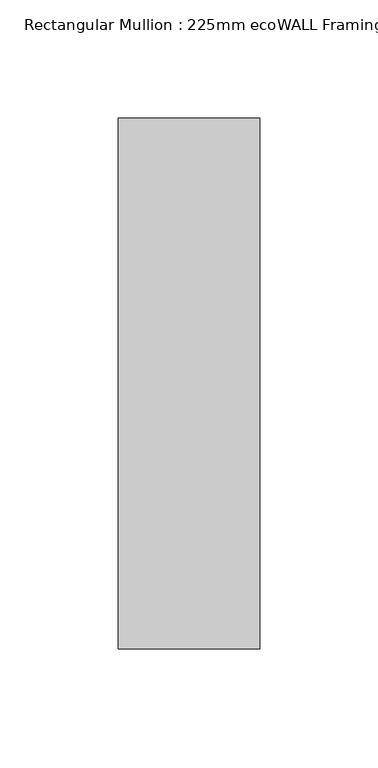
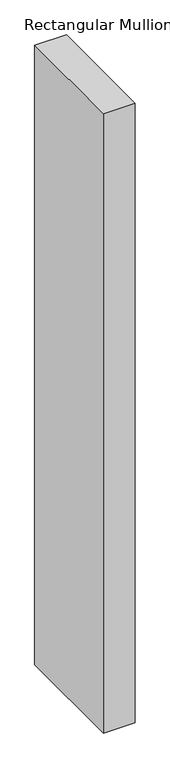
"""IFC4 building model written with IfcOpenShell, lengths in millimetres: member geometry, Rectangular Mullion : 225mm ecoWALL Framing."""

from ifc_helpers import new_model, si_unit, frame, origin, place, context, project, spatial, polyline, outline, extrude, source, transform, mapped, element, save


def rectangular_mullion_225mm_ecowall_framing_d044da91(model_context):
    return source(origin(), model_context, "Body", "SweptSolid", [
        extrude(outline(polyline([(0.0, 112.5), (0.0, -112.5), (-60.0, -112.5), (-60.0, 112.5), (0.0, 112.5)])), frame((0.0, 0.0, -1240.0), z_axis=(0.0, 0.0, 1.0), x_axis=(1.0, 0.0, 0.0)), (0.0, 0.0, 1.0), 1240.0),
    ])


if __name__ == "__main__":
    model = new_model("IFC4")
    model_context = context("Model", 3, world=origin())
    ifc_project = project(units=[si_unit("LENGTHUNIT", "METRE", prefix="MILLI")], contexts=[model_context])
    site = spatial("IfcSite", under=ifc_project)
    building = spatial("IfcBuilding", under=site)
    placement = place(None, origin())
    rectangular_mullion_225mm_ecowall_framing_shape = rectangular_mullion_225mm_ecowall_framing_d044da91(model_context)
    element("IfcMember", 1, ObjectType="Rectangular Mullion : 225mm ecoWALL Framing", at=placement, inside=building, context=model_context, shape_type="MappedRepresentation", body=[
        mapped(rectangular_mullion_225mm_ecowall_framing_shape, transform((0.0, 0.0, 0.0), x_axis=(1.0, 0.0, 0.0), y_axis=(0.0, 1.0, 0.0), z_axis=(0.0, 0.0, 1.0))),
    ])
    save(model, "model.ifc")
